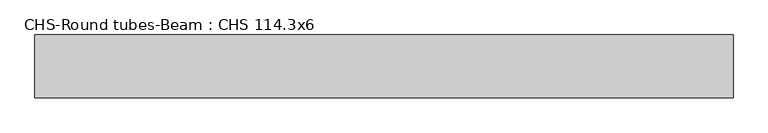
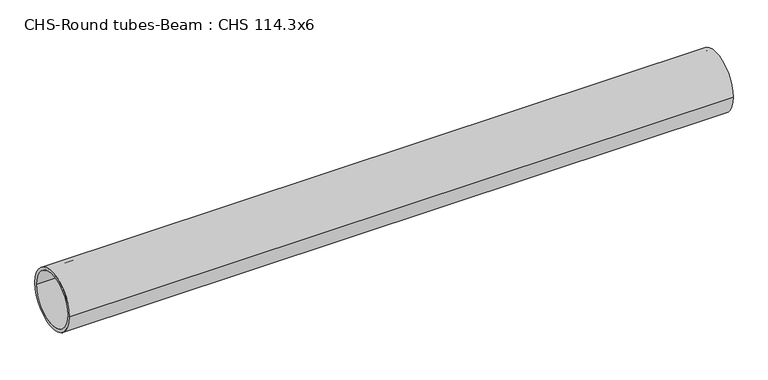
"""IFC4 building model written with IfcOpenShell, lengths in millimetres: beam geometry, CHS-Round tubes-Beam : CHS 114.3x6."""

from ifc_helpers import new_model, si_unit, point, frame, origin, origin_2d, place, context, project, spatial, circle_curve, trimmed, segment, composite_curve, outline, extrude, source, transform, mapped, element, save


def chs_round_tubes_beam_chs_114_3x6_4e5d88bc(model_context):
    return source(origin(), model_context, "Body", "SweptSolid", [
        extrude(outline(composite_curve([segment(trimmed(circle_curve(origin_2d(), 57.15), [point((57.15, 0.0))], [point((-57.15, 0.0))], False, "CARTESIAN"), True, "CONTINUOUS"), segment(trimmed(circle_curve(origin_2d(), 57.15), [point((-57.15, 0.0))], [point((57.15, 0.0))], False, "CARTESIAN"), True, "CONTINUOUS")], self_intersect=False), holes=[composite_curve([segment(trimmed(circle_curve(origin_2d(), 51.15), [point((51.15, 0.0))], [point((-51.15, 0.0))], True, "CARTESIAN"), True, "CONTINUOUS"), segment(trimmed(circle_curve(origin_2d(), 51.15), [point((-51.15, 0.0))], [point((51.15, 0.0))], True, "CARTESIAN"), True, "CONTINUOUS")], self_intersect=False)]), frame((-639.3897463, 0.0, 0.0), z_axis=(1.0, 0.0, 0.0), x_axis=(0.0, 1.0, 0.0)), (0.0, 0.0, 1.0), 1271.23522),
    ])


if __name__ == "__main__":
    model = new_model("IFC4")
    model_context = context("Model", 3, world=origin())
    ifc_project = project(units=[si_unit("LENGTHUNIT", "METRE", prefix="MILLI")], contexts=[model_context])
    site = spatial("IfcSite", under=ifc_project)
    building = spatial("IfcBuilding", under=site)
    placement = place(None, origin())
    chs_round_tubes_beam_chs_114_3x6_shape = chs_round_tubes_beam_chs_114_3x6_4e5d88bc(model_context)
    element("IfcBeam", 1, ObjectType="CHS-Round tubes-Beam : CHS 114.3x6", at=placement, inside=building, context=model_context, shape_type="MappedRepresentation", body=[
        mapped(chs_round_tubes_beam_chs_114_3x6_shape, transform((0.0, 0.0, 0.0), x_axis=(1.0, 0.0, 0.0), y_axis=(0.0, 1.0, 0.0), z_axis=(0.0, 0.0, 1.0))),
    ])
    save(model, "model.ifc")
